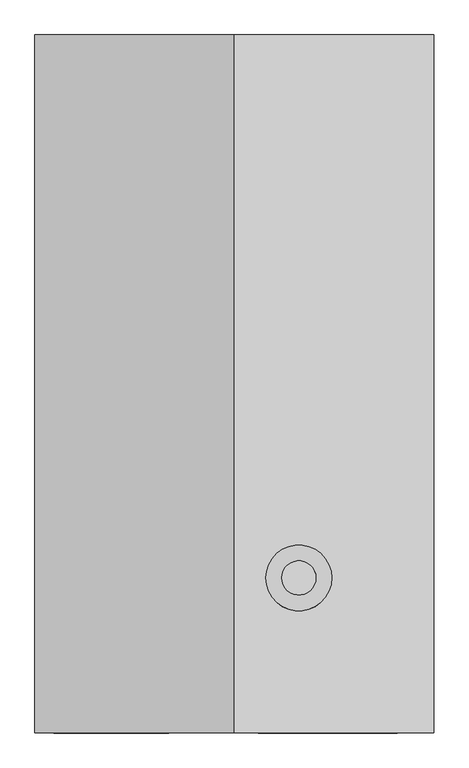
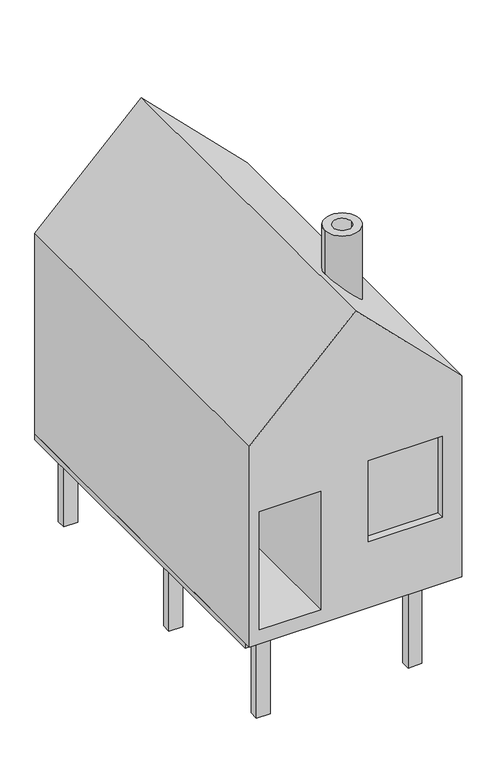
"""IFC4 building model written with IfcOpenShell, lengths in millimetres: proxy geometry."""

from ifc_helpers import new_model, si_unit, frame, origin, place, context, project, spatial, polyline, circle_curve, ellipse_curve, outline, extrude, source, transform, mapped, element, save
from ifc_brep_helpers import plane_surface, cylinder_surface, revolved_surface, advanced_brep


def generic_models_14836fb4(model_context):
    return source(origin(), model_context, "Body", "SolidModel", [
        advanced_brep(
        [(0.0, -250.0, 7000.0), (0.0, -250.0, 0.0), (7000.0, -250.0, 0.0), (7000.0, -250.0, 7000.0), (3500.0, -250.0, 10500.0), (2353.0920418, -250.0, 4608.2037863), (2353.0920418, -250.0, 481.2048146), (327.0709999, -250.0, 481.2048146), (327.0709999, -250.0, 4608.2037863), (6357.1792653, -250.0, 5130.2848961), (6357.1792653, -250.0, 2302.9199047), (3917.7442303, -250.0, 2302.9199047), (3917.7442303, -250.0, 5130.2848961), (0.0, 12000.0, 7000.0), (3500.0, 12000.0, 10500.0), (7000.0, 12000.0, 7000.0), (7000.0, 12000.0, 0.0), (0.0, 12000.0, 0.0), (2353.0920418, 12000.0, 4608.2037863), (327.0709999, 12000.0, 4608.2037863), (327.0709999, 12000.0, 481.2048146), (2353.0920418, 12000.0, 481.2048146), (5209.9338849, 2470.3539018, 8790.0661151), (4052.3502744, 2470.3539018, 9947.6497256), (4931.1420797, 2470.3539018, 9068.8579203), (4331.1420797, 2470.3539018, 9668.8579203), (6357.1792653, 0.0, 5130.2848961), (3917.7442303, 0.0, 5130.2848961), (3917.7442303, 0.0, 2302.9199047), (6357.1792653, 0.0, 2302.9199047), (4052.3502744, 2470.3539018, 11459.4687242), (5209.9338849, 2470.3539018, 11459.4687242), (4331.1420797, 2470.3539018, 11459.4687242), (4931.1420797, 2470.3539018, 11459.4687242)],
        [
            (0, 1),
            (1, 2),
            (2, 3),
            (3, 4),
            (4, 0),
            (5, 6),
            (6, 7),
            (7, 8),
            (8, 5),
            (9, 10),
            (10, 11),
            (11, 12),
            (12, 9),
            (13, 14),
            (14, 15),
            (15, 16),
            (16, 17),
            (17, 13),
            (18, 19),
            (19, 20),
            (20, 21),
            (21, 18),
            (5, 18),
            (21, 6),
            (20, 7),
            (19, 8),
            (0, 13),
            (17, 1),
            (16, 2),
            (15, 3),
            (14, 4),
            (22, 23, ellipse_curve(frame((4631.1420797, 2470.3539018, 9368.8579203), z_axis=(-0.7071067811865493, 0.0, -0.7071067811865459), x_axis=(-0.707106781186546, 0.0, 0.707106781186549)), 818.5352208, 578.7918053)),
            (23, 22, ellipse_curve(frame((4631.1420797, 2470.3539018, 9368.8579203), z_axis=(-0.7071067811865493, 0.0, -0.7071067811865459), x_axis=(-0.707106781186546, 0.0, 0.707106781186549)), 818.5352208, 578.7918053)),
            (24, 25, ellipse_curve(frame((4631.1420797, 2470.3539018, 9368.8579203), z_axis=(0.7071067811865493, 0.0, 0.7071067811865459), x_axis=(0.707106781186546, 0.0, -0.707106781186549)), 424.2640687, 300.0)),
            (25, 24, ellipse_curve(frame((4631.1420797, 2470.3539018, 9368.8579203), z_axis=(0.7071067811865493, 0.0, 0.7071067811865459), x_axis=(0.707106781186546, 0.0, -0.707106781186549)), 424.2640687, 300.0)),
            (26, 27),
            (27, 28),
            (28, 29),
            (29, 26),
            (29, 10),
            (9, 26),
            (28, 11),
            (27, 12),
            (30, 31, circle_curve(frame((4631.1420797, 2470.3539018, 11459.4687242), z_axis=(0.0, 0.0, 1.0), x_axis=(1.0, 0.0, 0.0)), 578.7918053)),
            (31, 30, circle_curve(frame((4631.1420797, 2470.3539018, 11459.4687242), z_axis=(0.0, 0.0, 1.0), x_axis=(1.0, 0.0, 0.0)), 578.7918053)),
            (32, 33, circle_curve(frame((4631.1420797, 2470.3539018, 11459.4687242), z_axis=(0.0, 0.0, -1.0), x_axis=(1.0, 0.0, 0.0)), 300.0)),
            (33, 32, circle_curve(frame((4631.1420797, 2470.3539018, 11459.4687242), z_axis=(0.0, 0.0, -1.0), x_axis=(1.0, 0.0, 0.0)), 300.0)),
            (30, 23),
            (22, 31),
            (32, 25),
            (24, 33),
        ],
        [
            plane_surface(frame((2353.0920418, -250.0, 4608.2037863), z_axis=(0.0, -1.0, 0.0), x_axis=(0.0, 0.0, -1.0))),
            plane_surface(frame((2353.0920418, 12000.0, 4608.2037863), z_axis=(0.0, 1.0, 0.0), x_axis=(0.0, 0.0, 1.0))),
            plane_surface(frame((2353.0920418, -250.0, 4608.2037863), z_axis=(-1.0, 0.0, 0.0), x_axis=(0.0, 1.0, 0.0))),
            plane_surface(frame((2353.0920418, -250.0, 481.2048146), z_axis=(0.0, 0.0, 1.0), x_axis=(0.0, 1.0, 0.0))),
            plane_surface(frame((327.0709999, -250.0, 481.2048146), z_axis=(1.0, 0.0, 0.0), x_axis=(0.0, 1.0, 0.0))),
            plane_surface(frame((327.0709999, -250.0, 4608.2037863), z_axis=(0.0, 0.0, -1.0), x_axis=(0.0, 1.0, 0.0))),
            plane_surface(frame((0.0, -250.0, 7000.0), z_axis=(-1.0, 0.0, 0.0), x_axis=(0.0, 1.0, 0.0))),
            plane_surface(frame((0.0, -250.0, 0.0), z_axis=(0.0, 0.0, -1.0), x_axis=(0.0, 1.0, 0.0))),
            plane_surface(frame((7000.0, -250.0, 0.0), z_axis=(1.0, 0.0, 0.0), x_axis=(0.0, 1.0, 0.0))),
            plane_surface(frame((7000.0, -250.0, 7000.0), z_axis=(0.7071067811865493, 0.0, 0.7071067811865459), x_axis=(0.0, 1.0, 0.0))),
            plane_surface(frame((3500.0, -250.0, 10500.0), z_axis=(-0.7071067811865469, 0.0, 0.7071067811865482), x_axis=(0.0, 1.0, 0.0))),
            plane_surface(frame((6357.1792653, 0.0, 5130.2848961), z_axis=(0.0, -1.0, 0.0), x_axis=(0.0, 0.0, -1.0))),
            plane_surface(frame((6357.1792653, 0.0, 5130.2848961), z_axis=(-1.0, 0.0, 0.0), x_axis=(0.0, -1.0, 0.0))),
            plane_surface(frame((6357.1792653, 0.0, 2302.9199047), z_axis=(0.0, 0.0, 1.0), x_axis=(0.0, -1.0, 0.0))),
            plane_surface(frame((3917.7442303, 0.0, 2302.9199047), z_axis=(1.0, 0.0, 0.0), x_axis=(0.0, -1.0, 0.0))),
            plane_surface(frame((3917.7442303, 0.0, 5130.2848961), z_axis=(0.0, 0.0, -1.0), x_axis=(0.0, -1.0, 0.0))),
            plane_surface(frame((5209.9338849, 2470.3539018, 11459.4687242), z_axis=(0.0, 0.0, 1.0), x_axis=(0.0, 1.0, 0.0))),
            cylinder_surface(frame((4631.1420797, 2470.3539018, 0.0), z_axis=(0.0, 0.0, 1.0), x_axis=(1.0, 0.0, 0.0)), 578.7918053),
            revolved_surface(polyline([(4931.1420797, 2470.3539018, 9068.8579203), (4931.1420797, 2470.3539018, 11459.4687242)]), (4631.1420797, 2470.3539018, 0.0), (0.0, 0.0, -1.0)),
        ],
        [
            (0, [[1, 2, 3, 4, 5], [6, 7, 8, 9], [10, 11, 12, 13]]),
            (1, [[14, 15, 16, 17, 18], [19, 20, 21, 22]]),
            (2, [[-6, 23, -22, 24]]),
            (3, [[-7, -24, -21, 25]]),
            (4, [[-8, -25, -20, 26]]),
            (5, [[-9, -26, -19, -23]]),
            (6, [[-1, 27, -18, 28]]),
            (7, [[-2, -28, -17, 29]]),
            (8, [[-3, -29, -16, 30]]),
            (9, [[-4, -30, -15, 31], [32, 33]]),
            (9, [[34, 35]]),
            (10, [[-5, -31, -14, -27]]),
            (11, [[36, 37, 38, 39]]),
            (12, [[-39, 40, -10, 41]]),
            (13, [[-38, 42, -11, -40]]),
            (14, [[-37, 43, -12, -42]]),
            (15, [[-36, -41, -13, -43]]),
            (16, [[44, 45], [46, 47]]),
            (17, [[-44, 48, -32, 49]]),
            (17, [[-45, -49, -33, -48]]),
            (18, [[-46, 50, -34, 51]]),
            (18, [[-47, -51, -35, -50]]),
        ],
    ),
        extrude(outline(polyline([(1000.0, 11594.2435605), (1000.0, 11287.2940877), (542.2628552, 11287.2940877), (542.2628552, 11594.2435605), (1000.0, 11594.2435605)])), frame((0.0, 0.0, -3000.0), z_axis=(0.0, 0.0, 1.0), x_axis=(1.0, 0.0, 0.0)), (0.0, 0.0, 1.0), 2800.0),
        extrude(outline(polyline([(1000.0, 5594.2435605), (1000.0, 5287.2940877), (542.2628552, 5287.2940877), (542.2628552, 5594.2435605), (1000.0, 5594.2435605)])), frame((0.0, 0.0, -3000.0), z_axis=(0.0, 0.0, 1.0), x_axis=(1.0, 0.0, 0.0)), (0.0, 0.0, 1.0), 2800.0),
        extrude(outline(polyline([(6000.0, 11594.2435605), (6000.0, 11287.2940877), (5542.2628552, 11287.2940877), (5542.2628552, 11594.2435605), (6000.0, 11594.2435605)])), frame((0.0, 0.0, -3000.0), z_axis=(0.0, 0.0, 1.0), x_axis=(1.0, 0.0, 0.0)), (0.0, 0.0, 1.0), 2800.0),
        extrude(outline(polyline([(6000.0, 5594.2435605), (6000.0, 5287.2940877), (5542.2628552, 5287.2940877), (5542.2628552, 5594.2435605), (6000.0, 5594.2435605)])), frame((0.0, 0.0, -3000.0), z_axis=(0.0, 0.0, 1.0), x_axis=(1.0, 0.0, 0.0)), (0.0, 0.0, 1.0), 2800.0),
        extrude(outline(polyline([(1000.0, 594.2435605), (1000.0, 287.2940877), (542.2628552, 287.2940877), (542.2628552, 594.2435605), (1000.0, 594.2435605)])), frame((0.0, 0.0, -3000.0), z_axis=(0.0, 0.0, 1.0), x_axis=(1.0, 0.0, 0.0)), (0.0, 0.0, 1.0), 2800.0),
        extrude(outline(polyline([(6000.0, 594.2435605), (6000.0, 287.2940877), (5542.2628552, 287.2940877), (5542.2628552, 594.2435605), (6000.0, 594.2435605)])), frame((0.0, 0.0, -3000.0), z_axis=(0.0, 0.0, 1.0), x_axis=(1.0, 0.0, 0.0)), (0.0, 0.0, 1.0), 2800.0),
        extrude(outline(polyline([(7000.0, 0.0), (0.0, 0.0), (0.0, 12000.0), (7000.0, 12000.0), (7000.0, 0.0)]), holes=[polyline([(5127.1085938, 7839.5506177), (1667.7199429, 7839.5506177), (1667.7199429, 6252.9801782), (5127.1085938, 6252.9801782), (5127.1085938, 7839.5506177)])]), frame((0.0, 0.0, -200.0), z_axis=(0.0, 0.0, 1.0), x_axis=(1.0, 0.0, 0.0)), (0.0, 0.0, 1.0), 200.0),
    ])


if __name__ == "__main__":
    model = new_model("IFC4")
    model_context = context("Model", 3, world=origin())
    ifc_project = project(units=[si_unit("LENGTHUNIT", "METRE", prefix="MILLI")], contexts=[model_context])
    site = spatial("IfcSite", under=ifc_project)
    building = spatial("IfcBuilding", under=site)
    placement = place(None, origin())
    generic_models_shape = generic_models_14836fb4(model_context)
    element("IfcBuildingElementProxy", 1, Name="Generic Models", at=placement, inside=building, context=model_context, shape_type="MappedRepresentation", body=[
        mapped(generic_models_shape, transform((0.0, 0.0, 0.0), x_axis=(1.0, 0.0, 0.0), y_axis=(0.0, 1.0, 0.0), z_axis=(0.0, 0.0, 1.0))),
    ])
    save(model, "model.ifc")
